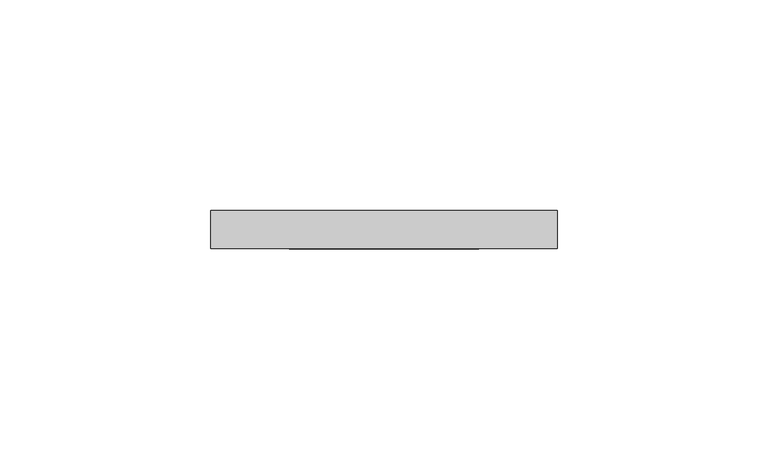
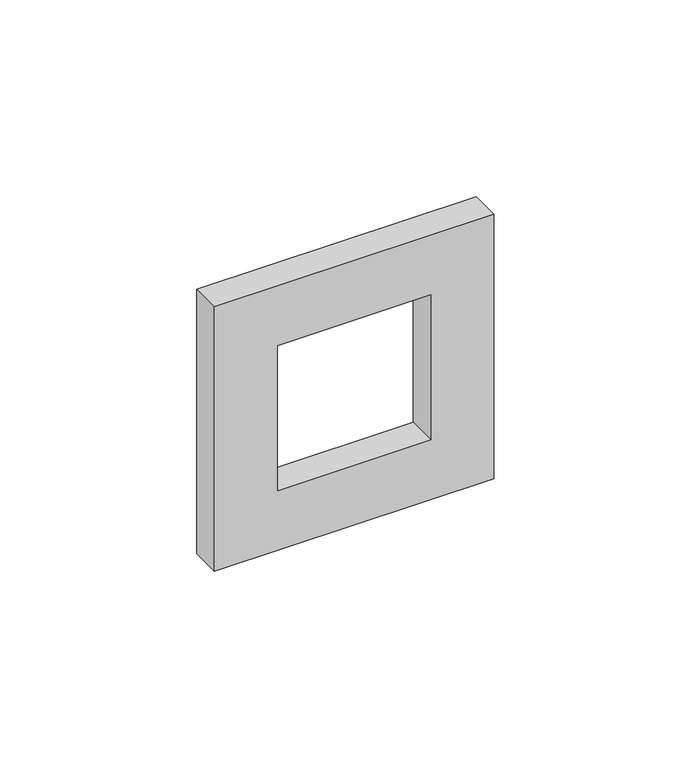
"""IFC4 building model written with IfcOpenShell, lengths in millimetres: proxy geometry."""

import ifcopenshell
import ifcopenshell.guid

model = None  # the IFC model being written
_history = None  # IfcOwnerHistory: only IFC2X3 demands one
_inside = {}  # id of a spatial element -> (the spatial element, [elements in it])
_under = {}  # id of a project, library or spatial element -> (it, [spatial elements below it])
_declared = {}  # id of a project -> (the project, [libraries it declares])
_typed = {}  # id of a type object -> (the type object, [elements of that type])
_made_of = {}  # id of a material, layer set ... -> (it, [elements and type objects made of it])


def new_model(schema):
    """Start an empty IFC model of exactly this schema.

    Asked for "IFC4X3", IfcOpenShell would pick the latest addendum, in which some entities
    have other attributes; the version numbers below select the first issue.
    IFC2X3 requires an IfcOwnerHistory on every rooted entity: one is made here for all.
    """
    global model, _history
    if schema == "IFC4X3":
        model = ifcopenshell.file(schema_version=(4, 3, 0, 0))
    else:
        model = ifcopenshell.file(schema=schema)
    _inside.clear()
    _under.clear()
    _declared.clear()
    _typed.clear()
    _made_of.clear()
    _history = None
    if model.schema == "IFC2X3":
        org = make("IfcOrganization", Name="unknown")
        user = make(
            "IfcPersonAndOrganization",
            ThePerson=make("IfcPerson", FamilyName="unknown"),
            TheOrganization=org,
        )
        app = make(
            "IfcApplication",
            ApplicationDeveloper=org,
            Version="unknown",
            ApplicationFullName="unknown",
            ApplicationIdentifier="unknown",
        )
        _history = make(
            "IfcOwnerHistory",
            OwningUser=user,
            OwningApplication=app,
            ChangeAction="ADDED",
            CreationDate=0,
        )
    return model


def make(cls, **values):
    """One entity of the class cls with the attributes given. An attribute that is None is left unset."""
    return model.create_entity(
        cls, **{name: value for name, value in values.items() if value is not None}
    )


def rooted(cls, **values):
    """An entity with a GlobalId (a new one), such as an element, a storey or a relation."""
    return make(cls, GlobalId=ifcopenshell.guid.new(), OwnerHistory=_history, **values)


def si_unit(unit_type, name, prefix=None):
    """IfcSIUnit, for example si_unit("LENGTHUNIT", "METRE", prefix="MILLI")."""
    return make("IfcSIUnit", UnitType=unit_type, Prefix=prefix, Name=name)


def assignment(units):
    """IfcUnitAssignment: the units of a project."""
    return None if units is None else make("IfcUnitAssignment", Units=units)


def point(xyz):
    """IfcCartesianPoint."""
    return None if xyz is None else make("IfcCartesianPoint", Coordinates=xyz)


def direction(xyz):
    """IfcDirection."""
    return None if xyz is None else make("IfcDirection", DirectionRatios=xyz)


def frame(location, z_axis=None, x_axis=None):
    """IfcAxis2Placement3D, a coordinate frame: its origin and axes. An axis left out is left unset."""
    return make(
        "IfcAxis2Placement3D",
        Location=point(location),
        Axis=direction(z_axis),
        RefDirection=direction(x_axis),
    )


def origin():
    """The frame at (0, 0, 0) with its axes left unset."""
    return frame((0.0, 0.0, 0.0))


def place(relative_to, where):
    """IfcLocalPlacement: puts the frame where relative to a parent placement (None: the world)."""
    return make(
        "IfcLocalPlacement", PlacementRelTo=relative_to, RelativePlacement=where
    )


def context(
    kind, dimensions, precision=None, world=None, true_north=None, identifier=None
):
    """IfcGeometricRepresentationContext, for example the 3D "Model" context."""
    return make(
        "IfcGeometricRepresentationContext",
        ContextIdentifier=identifier,
        ContextType=kind,
        CoordinateSpaceDimension=dimensions,
        Precision=precision,
        WorldCoordinateSystem=world,
        TrueNorth=true_north,
    )


def project(units=None, contexts=None):
    """IfcProject with its units and contexts."""
    return rooted(
        "IfcProject",
        Name="project",
        RepresentationContexts=contexts,
        UnitsInContext=assignment(units),
    )


def spatial(cls, under=None, at=None, **own):
    """A site, building, storey or space (cls), placed at a placement, below another one or the project."""
    s = rooted(cls, ObjectPlacement=at, **own)
    if under is not None:
        _under.setdefault(under.id(), (under, []))[1].append(s)
    return s


def polyline(points):
    """IfcPolyline through the points."""
    return make("IfcPolyline", Points=[point(p) for p in points])


def outline(outer, holes=None, kind="AREA"):
    """IfcArbitraryClosedProfileDef: a profile drawn as a closed curve; with holes, ...WithVoids."""
    if holes is None:
        return make("IfcArbitraryClosedProfileDef", ProfileType=kind, OuterCurve=outer)
    return make(
        "IfcArbitraryProfileDefWithVoids",
        ProfileType=kind,
        OuterCurve=outer,
        InnerCurves=holes,
    )


def extrude(swept, where, along, depth):
    """IfcExtrudedAreaSolid: the profile swept, set in the frame where, extruded along a direction by depth."""
    return make(
        "IfcExtrudedAreaSolid",
        SweptArea=swept,
        Position=where,
        ExtrudedDirection=direction(along),
        Depth=depth,
    )


def shape(context_of_items, identifier, shape_type, items):
    """IfcShapeRepresentation: the items that make up one representation, for example the "Body"."""
    return make(
        "IfcShapeRepresentation",
        ContextOfItems=context_of_items,
        RepresentationIdentifier=identifier,
        RepresentationType=shape_type,
        Items=items,
    )


def source(mapping_origin, context_of_items, identifier, shape_type, items):
    """IfcRepresentationMap: a shape defined once, which mapped items show again and again."""
    return make(
        "IfcRepresentationMap",
        MappingOrigin=mapping_origin,
        MappedRepresentation=shape(context_of_items, identifier, shape_type, items),
    )


def transform(
    local_origin,
    x_axis=None,
    y_axis=None,
    z_axis=None,
    scale=None,
    scale2=None,
    scale3=None,
    uniform=True,
):
    """IfcCartesianTransformationOperator3D, or its non-uniform kind. x_axis, y_axis, z_axis: its Axis1, 2, 3."""
    if uniform:
        return make(
            "IfcCartesianTransformationOperator3D",
            Axis1=direction(x_axis),
            Axis2=direction(y_axis),
            LocalOrigin=point(local_origin),
            Scale=scale,
            Axis3=direction(z_axis),
        )
    return make(
        "IfcCartesianTransformationOperator3DnonUniform",
        Axis1=direction(x_axis),
        Axis2=direction(y_axis),
        LocalOrigin=point(local_origin),
        Scale=scale,
        Axis3=direction(z_axis),
        Scale2=scale2,
        Scale3=scale3,
    )


def mapped(mapping_source, mapping_target):
    """IfcMappedItem: shows the shape of a source again, moved by a transform."""
    return make(
        "IfcMappedItem", MappingSource=mapping_source, MappingTarget=mapping_target
    )


def made_of(thing, what):
    """Note that an element or type object is made of a material, layer set ...; save() writes the relation."""
    if what is not None:
        _made_of.setdefault(what.id(), (what, []))[1].append(thing)
    return thing


def element(
    cls,
    number,
    at=None,
    inside=None,
    cuts=None,
    type_object=None,
    material=None,
    context=None,
    identifier="Body",
    shape_type=None,
    held_by="IfcProductDefinitionShape",
    body=None,
    shapes=None,
    **own,
):
    """One element of the class cls, such as IfcWall. Its Tag is "e" and its number.

    at: its placement. inside: the storey or other place that contains it. cuts: it is an
    opening in that element (IfcRelVoidsElement). A single representation is given by context,
    identifier, shape_type and body (its items); several are given by shapes. held_by: the class
    of the entity that holds the representations. save() writes the other relations.
    """
    e = rooted(cls, Tag="e%d" % number, ObjectPlacement=at, **own)
    if body is not None:
        shapes = [shape(context, identifier, shape_type, body)]
    if shapes is not None:
        e.Representation = make(held_by, Representations=shapes)
    if inside is not None:
        _inside.setdefault(inside.id(), (inside, []))[1].append(e)
    if cuts is not None:
        rooted(
            "IfcRelVoidsElement", RelatingBuildingElement=cuts, RelatedOpeningElement=e
        )
    if type_object is not None:
        _typed.setdefault(type_object.id(), (type_object, []))[1].append(e)
    return made_of(e, material)


def aggregate(whole, parts):
    """IfcRelAggregates: a whole, such as a stair, and the parts it consists of."""
    return rooted("IfcRelAggregates", RelatingObject=whole, RelatedObjects=parts)


def save(model, path):
    """Write the relations noted so far, then the file.

    IfcRelAggregates (storeys below a building ...), IfcRelContainedInSpatialStructure (elements
    in a storey), IfcRelDefinesByType, IfcRelAssociatesMaterial and IfcRelDeclares: one each for
    every whole, place, type object, material and project.
    """
    for whole, parts in _under.values():
        aggregate(whole, parts)
    for where, things in _inside.values():
        rooted(
            "IfcRelContainedInSpatialStructure",
            RelatedElements=things,
            RelatingStructure=where,
        )
    for kind, things in _typed.values():
        rooted("IfcRelDefinesByType", RelatedObjects=things, RelatingType=kind)
    for what, things in _made_of.values():
        rooted("IfcRelAssociatesMaterial", RelatedObjects=things, RelatingMaterial=what)
    for by, libraries in _declared.values():
        rooted("IfcRelDeclares", RelatingContext=by, RelatedDefinitions=libraries)
    model.write(path)


def electrical_fixtures_ce99f920(model_context):
    return source(origin(), model_context, "Body", "SweptSolid", [
        extrude(outline(polyline([(41.0, 41.0), (41.0, -41.0), (-41.0, -41.0), (-41.0, 41.0), (41.0, 41.0)]), holes=[polyline([(22.5, 22.5), (-22.5, 22.5), (-22.5, -22.5), (22.5, -22.5), (22.5, 22.5)])]), frame((0.0, 0.0, 0.0), z_axis=(0.0, 1.0, 0.0), x_axis=(0.0, 0.0, 1.0)), (0.0, 0.0, 1.0), 9.0),
    ])


if __name__ == "__main__":
    model = new_model("IFC4")
    model_context = context("Model", 3, world=origin())
    ifc_project = project(units=[si_unit("LENGTHUNIT", "METRE", prefix="MILLI")], contexts=[model_context])
    site = spatial("IfcSite", under=ifc_project)
    building = spatial("IfcBuilding", under=site)
    placement = place(None, origin())
    electrical_fixtures_shape = electrical_fixtures_ce99f920(model_context)
    element("IfcBuildingElementProxy", 1, Name="Electrical Fixtures", at=placement, inside=building, context=model_context, shape_type="MappedRepresentation", body=[
        mapped(electrical_fixtures_shape, transform((0.0, 0.0, 0.0), x_axis=(1.0, 0.0, 0.0), y_axis=(0.0, 1.0, 0.0), z_axis=(0.0, 0.0, 1.0))),
    ])
    save(model, "model.ifc")
